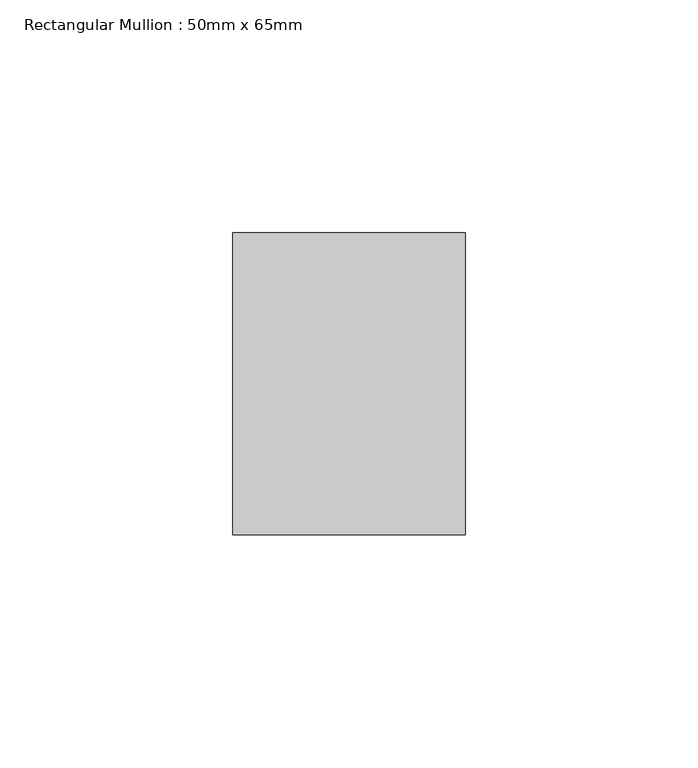
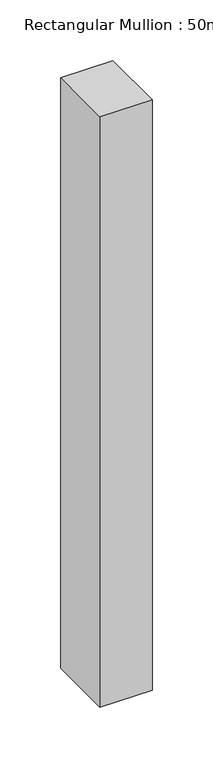
"""IFC4 building model written with IfcOpenShell, lengths in millimetres: member geometry, Rectangular Mullion : 50mm x 65mm."""

from ifc_helpers import new_model, si_unit, frame, origin, place, context, project, spatial, polyline, outline, extrude, source, transform, mapped, element, save


def rectangular_mullion_50mm_x_65mm_c8921d5c(model_context):
    return source(origin(), model_context, "Body", "SweptSolid", [
        extrude(outline(polyline([(25.0, 32.5), (25.0, -32.5), (-25.0, -32.5), (-25.0, 32.5), (25.0, 32.5)])), frame((0.0, 0.0, -595.7759993), z_axis=(0.0, 0.0, 1.0), x_axis=(1.0, 0.0, 0.0)), (0.0, 0.0, 1.0), 595.7759993),
    ])


if __name__ == "__main__":
    model = new_model("IFC4")
    model_context = context("Model", 3, world=origin())
    ifc_project = project(units=[si_unit("LENGTHUNIT", "METRE", prefix="MILLI")], contexts=[model_context])
    site = spatial("IfcSite", under=ifc_project)
    building = spatial("IfcBuilding", under=site)
    placement = place(None, origin())
    rectangular_mullion_50mm_x_65mm_shape = rectangular_mullion_50mm_x_65mm_c8921d5c(model_context)
    element("IfcMember", 1, ObjectType="Rectangular Mullion : 50mm x 65mm", at=placement, inside=building, context=model_context, shape_type="MappedRepresentation", body=[
        mapped(rectangular_mullion_50mm_x_65mm_shape, transform((0.0, 0.0, 0.0), x_axis=(1.0, 0.0, 0.0), y_axis=(0.0, 1.0, 0.0), z_axis=(0.0, 0.0, 1.0))),
    ])
    save(model, "model.ifc")
